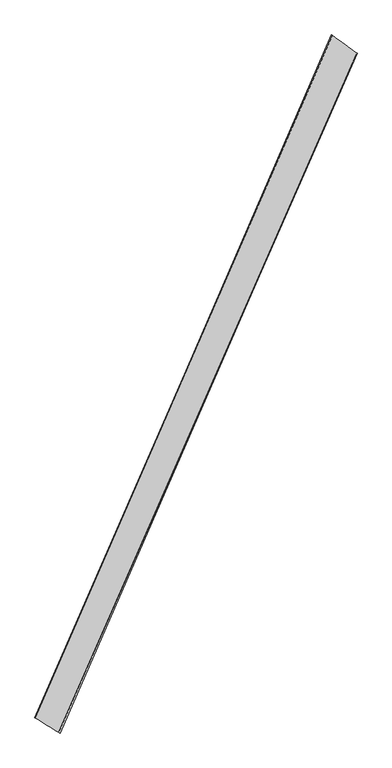
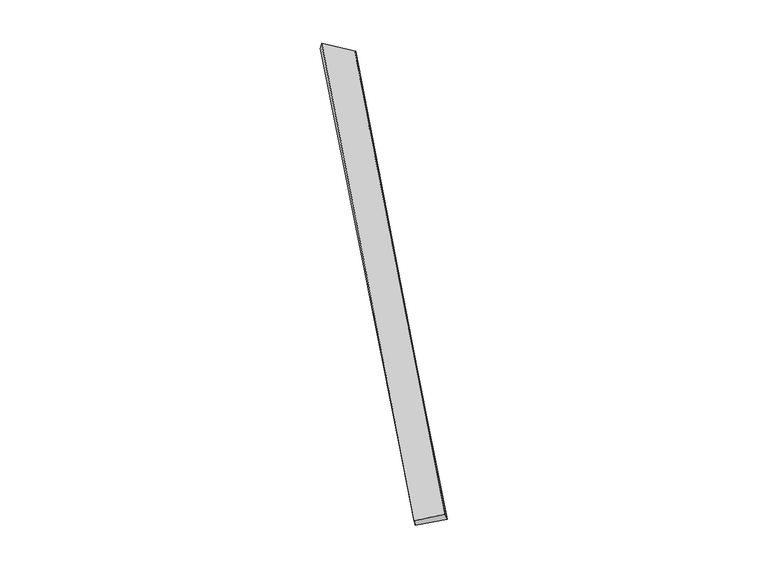
"""IFC4 building model written with IfcOpenShell, lengths in millimetres: proxy geometry."""

from ifc_helpers import new_model, si_unit, origin, place, context, project, spatial, source, transform, mapped, element, save
from ifc_brep_helpers import spline_surface, advanced_brep


def generic_models_4bbfa958(model_context):
    return source(origin(), model_context, "Body", "AdvancedBrep", [
        advanced_brep(
        [(-683.8520515, -1732.4251971, 20.0756928), (-675.880288, -1736.2288168, -8.5945612), (962.7227858, 2024.3892604, -48.0400026), (968.3444283, 2022.2186355, -18.6514756), (-809.8641138, -1653.1163592, -49.3567378), (824.8381613, 2124.1546674, -10.5510588), (-815.7224605, -1650.8587482, -20.0210434), (831.2300836, 2121.0653099, 18.5968262)],
        [
            (0, 1),
            (1, 2),
            (2, 3),
            (3, 0),
            (1, 4),
            (4, 5),
            (5, 2),
            (4, 6),
            (6, 7),
            (7, 5),
            (6, 0),
            (3, 7),
        ],
        [
            spline_surface(1, 1, [[(-683.8520515, -1732.4251971, 20.0756928), (968.3444283, 2022.2186355, -18.6514756)], [(-675.880288, -1736.2288168, -8.5945612), (962.7227858, 2024.3892604, -48.0400026)]], [2, 2], [2, 2], [0.0, 1.0], [0.0, 1.0]),
            spline_surface(1, 1, [[(-675.880288, -1736.2288168, -8.5945612), (962.7227858, 2024.3892604, -48.0400026)], [(-809.8641138, -1653.1163592, -49.3567378), (824.8381613, 2124.1546674, -10.5510588)]], [2, 2], [2, 2], [0.0, 1.0], [0.0, 1.0]),
            spline_surface(1, 1, [[(-809.8641138, -1653.1163592, -49.3567378), (824.8381613, 2124.1546674, -10.5510588)], [(-815.7224605, -1650.8587482, -20.0210434), (831.2300836, 2121.0653099, 18.5968262)]], [2, 2], [2, 2], [0.0, 1.0], [0.0, 1.0]),
            spline_surface(1, 1, [[(-815.7224605, -1650.8587482, -20.0210434), (831.2300836, 2121.0653099, 18.5968262)], [(-683.8520515, -1732.4251971, 20.0756928), (968.3444283, 2022.2186355, -18.6514756)]], [2, 2], [2, 2], [0.0, 1.0], [0.0, 1.0]),
            spline_surface(1, 1, [[(962.7227858, 2024.3892604, -48.0400026), (968.3444283, 2022.2186355, -18.6514756)], [(824.8381613, 2124.1546674, -10.5510588), (831.2300836, 2121.0653099, 18.5968262)]], [2, 2], [2, 2], [0.0, 1.0], [0.0, 1.0]),
            spline_surface(1, 1, [[(-815.7224605, -1650.8587482, -20.0210434), (-683.8520515, -1732.4251971, 20.0756928)], [(-809.8641138, -1653.1163592, -49.3567378), (-675.880288, -1736.2288168, -8.5945612)]], [2, 2], [2, 2], [0.0, 1.0], [0.0, 1.0]),
        ],
        [
            (0, [[1, 2, 3, 4]]),
            (1, [[5, 6, 7, -2]]),
            (2, [[8, 9, 10, -6]]),
            (3, [[11, -4, 12, -9]]),
            (4, [[-3, -7, -10, -12]]),
            (5, [[-11, -8, -5, -1]]),
        ],
    ),
    ])


if __name__ == "__main__":
    model = new_model("IFC4")
    model_context = context("Model", 3, world=origin())
    ifc_project = project(units=[si_unit("LENGTHUNIT", "METRE", prefix="MILLI")], contexts=[model_context])
    site = spatial("IfcSite", under=ifc_project)
    building = spatial("IfcBuilding", under=site)
    placement = place(None, origin())
    generic_models_shape = generic_models_4bbfa958(model_context)
    element("IfcBuildingElementProxy", 1, Name="Generic Models", at=placement, inside=building, context=model_context, shape_type="MappedRepresentation", body=[
        mapped(generic_models_shape, transform((0.0, 0.0, 0.0), x_axis=(1.0, 0.0, 0.0), y_axis=(0.0, 1.0, 0.0), z_axis=(0.0, 0.0, 1.0))),
    ])
    save(model, "model.ifc")
